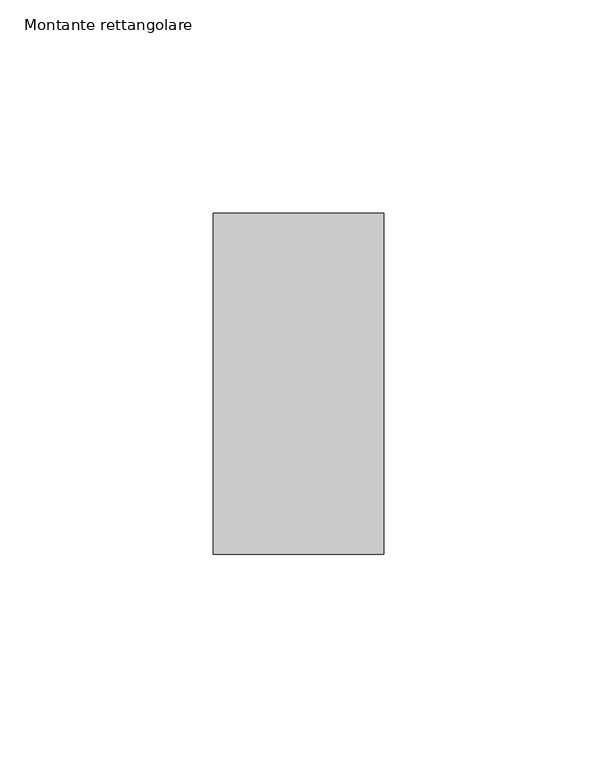
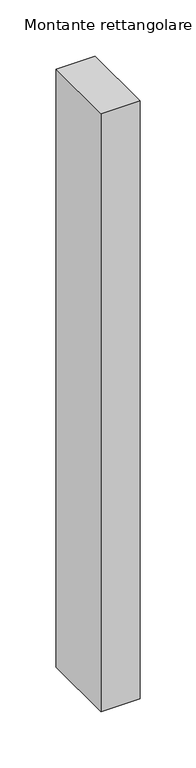
"""IFC4 building model written with IfcOpenShell, lengths in millimetres: member geometry, Montante rettangolare."""

import ifcopenshell
import ifcopenshell.guid

model = None  # the IFC model being written
_history = None  # IfcOwnerHistory: only IFC2X3 demands one
_inside = {}  # id of a spatial element -> (the spatial element, [elements in it])
_under = {}  # id of a project, library or spatial element -> (it, [spatial elements below it])
_declared = {}  # id of a project -> (the project, [libraries it declares])
_typed = {}  # id of a type object -> (the type object, [elements of that type])
_made_of = {}  # id of a material, layer set ... -> (it, [elements and type objects made of it])


def new_model(schema):
    """Start an empty IFC model of exactly this schema.

    Asked for "IFC4X3", IfcOpenShell would pick the latest addendum, in which some entities
    have other attributes; the version numbers below select the first issue.
    IFC2X3 requires an IfcOwnerHistory on every rooted entity: one is made here for all.
    """
    global model, _history
    if schema == "IFC4X3":
        model = ifcopenshell.file(schema_version=(4, 3, 0, 0))
    else:
        model = ifcopenshell.file(schema=schema)
    _inside.clear()
    _under.clear()
    _declared.clear()
    _typed.clear()
    _made_of.clear()
    _history = None
    if model.schema == "IFC2X3":
        org = make("IfcOrganization", Name="unknown")
        user = make(
            "IfcPersonAndOrganization",
            ThePerson=make("IfcPerson", FamilyName="unknown"),
            TheOrganization=org,
        )
        app = make(
            "IfcApplication",
            ApplicationDeveloper=org,
            Version="unknown",
            ApplicationFullName="unknown",
            ApplicationIdentifier="unknown",
        )
        _history = make(
            "IfcOwnerHistory",
            OwningUser=user,
            OwningApplication=app,
            ChangeAction="ADDED",
            CreationDate=0,
        )
    return model


def make(cls, **values):
    """One entity of the class cls with the attributes given. An attribute that is None is left unset."""
    return model.create_entity(
        cls, **{name: value for name, value in values.items() if value is not None}
    )


def rooted(cls, **values):
    """An entity with a GlobalId (a new one), such as an element, a storey or a relation."""
    return make(cls, GlobalId=ifcopenshell.guid.new(), OwnerHistory=_history, **values)


def si_unit(unit_type, name, prefix=None):
    """IfcSIUnit, for example si_unit("LENGTHUNIT", "METRE", prefix="MILLI")."""
    return make("IfcSIUnit", UnitType=unit_type, Prefix=prefix, Name=name)


def assignment(units):
    """IfcUnitAssignment: the units of a project."""
    return None if units is None else make("IfcUnitAssignment", Units=units)


def point(xyz):
    """IfcCartesianPoint."""
    return None if xyz is None else make("IfcCartesianPoint", Coordinates=xyz)


def direction(xyz):
    """IfcDirection."""
    return None if xyz is None else make("IfcDirection", DirectionRatios=xyz)


def frame(location, z_axis=None, x_axis=None):
    """IfcAxis2Placement3D, a coordinate frame: its origin and axes. An axis left out is left unset."""
    return make(
        "IfcAxis2Placement3D",
        Location=point(location),
        Axis=direction(z_axis),
        RefDirection=direction(x_axis),
    )


def origin():
    """The frame at (0, 0, 0) with its axes left unset."""
    return frame((0.0, 0.0, 0.0))


def place(relative_to, where):
    """IfcLocalPlacement: puts the frame where relative to a parent placement (None: the world)."""
    return make(
        "IfcLocalPlacement", PlacementRelTo=relative_to, RelativePlacement=where
    )


def context(
    kind, dimensions, precision=None, world=None, true_north=None, identifier=None
):
    """IfcGeometricRepresentationContext, for example the 3D "Model" context."""
    return make(
        "IfcGeometricRepresentationContext",
        ContextIdentifier=identifier,
        ContextType=kind,
        CoordinateSpaceDimension=dimensions,
        Precision=precision,
        WorldCoordinateSystem=world,
        TrueNorth=true_north,
    )


def project(units=None, contexts=None):
    """IfcProject with its units and contexts."""
    return rooted(
        "IfcProject",
        Name="project",
        RepresentationContexts=contexts,
        UnitsInContext=assignment(units),
    )


def spatial(cls, under=None, at=None, **own):
    """A site, building, storey or space (cls), placed at a placement, below another one or the project."""
    s = rooted(cls, ObjectPlacement=at, **own)
    if under is not None:
        _under.setdefault(under.id(), (under, []))[1].append(s)
    return s


def polyline(points):
    """IfcPolyline through the points."""
    return make("IfcPolyline", Points=[point(p) for p in points])


def outline(outer, holes=None, kind="AREA"):
    """IfcArbitraryClosedProfileDef: a profile drawn as a closed curve; with holes, ...WithVoids."""
    if holes is None:
        return make("IfcArbitraryClosedProfileDef", ProfileType=kind, OuterCurve=outer)
    return make(
        "IfcArbitraryProfileDefWithVoids",
        ProfileType=kind,
        OuterCurve=outer,
        InnerCurves=holes,
    )


def extrude(swept, where, along, depth):
    """IfcExtrudedAreaSolid: the profile swept, set in the frame where, extruded along a direction by depth."""
    return make(
        "IfcExtrudedAreaSolid",
        SweptArea=swept,
        Position=where,
        ExtrudedDirection=direction(along),
        Depth=depth,
    )


def shape(context_of_items, identifier, shape_type, items):
    """IfcShapeRepresentation: the items that make up one representation, for example the "Body"."""
    return make(
        "IfcShapeRepresentation",
        ContextOfItems=context_of_items,
        RepresentationIdentifier=identifier,
        RepresentationType=shape_type,
        Items=items,
    )


def source(mapping_origin, context_of_items, identifier, shape_type, items):
    """IfcRepresentationMap: a shape defined once, which mapped items show again and again."""
    return make(
        "IfcRepresentationMap",
        MappingOrigin=mapping_origin,
        MappedRepresentation=shape(context_of_items, identifier, shape_type, items),
    )


def transform(
    local_origin,
    x_axis=None,
    y_axis=None,
    z_axis=None,
    scale=None,
    scale2=None,
    scale3=None,
    uniform=True,
):
    """IfcCartesianTransformationOperator3D, or its non-uniform kind. x_axis, y_axis, z_axis: its Axis1, 2, 3."""
    if uniform:
        return make(
            "IfcCartesianTransformationOperator3D",
            Axis1=direction(x_axis),
            Axis2=direction(y_axis),
            LocalOrigin=point(local_origin),
            Scale=scale,
            Axis3=direction(z_axis),
        )
    return make(
        "IfcCartesianTransformationOperator3DnonUniform",
        Axis1=direction(x_axis),
        Axis2=direction(y_axis),
        LocalOrigin=point(local_origin),
        Scale=scale,
        Axis3=direction(z_axis),
        Scale2=scale2,
        Scale3=scale3,
    )


def mapped(mapping_source, mapping_target):
    """IfcMappedItem: shows the shape of a source again, moved by a transform."""
    return make(
        "IfcMappedItem", MappingSource=mapping_source, MappingTarget=mapping_target
    )


def made_of(thing, what):
    """Note that an element or type object is made of a material, layer set ...; save() writes the relation."""
    if what is not None:
        _made_of.setdefault(what.id(), (what, []))[1].append(thing)
    return thing


def element(
    cls,
    number,
    at=None,
    inside=None,
    cuts=None,
    type_object=None,
    material=None,
    context=None,
    identifier="Body",
    shape_type=None,
    held_by="IfcProductDefinitionShape",
    body=None,
    shapes=None,
    **own,
):
    """One element of the class cls, such as IfcWall. Its Tag is "e" and its number.

    at: its placement. inside: the storey or other place that contains it. cuts: it is an
    opening in that element (IfcRelVoidsElement). A single representation is given by context,
    identifier, shape_type and body (its items); several are given by shapes. held_by: the class
    of the entity that holds the representations. save() writes the other relations.
    """
    e = rooted(cls, Tag="e%d" % number, ObjectPlacement=at, **own)
    if body is not None:
        shapes = [shape(context, identifier, shape_type, body)]
    if shapes is not None:
        e.Representation = make(held_by, Representations=shapes)
    if inside is not None:
        _inside.setdefault(inside.id(), (inside, []))[1].append(e)
    if cuts is not None:
        rooted(
            "IfcRelVoidsElement", RelatingBuildingElement=cuts, RelatedOpeningElement=e
        )
    if type_object is not None:
        _typed.setdefault(type_object.id(), (type_object, []))[1].append(e)
    return made_of(e, material)


def aggregate(whole, parts):
    """IfcRelAggregates: a whole, such as a stair, and the parts it consists of."""
    return rooted("IfcRelAggregates", RelatingObject=whole, RelatedObjects=parts)


def save(model, path):
    """Write the relations noted so far, then the file.

    IfcRelAggregates (storeys below a building ...), IfcRelContainedInSpatialStructure (elements
    in a storey), IfcRelDefinesByType, IfcRelAssociatesMaterial and IfcRelDeclares: one each for
    every whole, place, type object, material and project.
    """
    for whole, parts in _under.values():
        aggregate(whole, parts)
    for where, things in _inside.values():
        rooted(
            "IfcRelContainedInSpatialStructure",
            RelatedElements=things,
            RelatingStructure=where,
        )
    for kind, things in _typed.values():
        rooted("IfcRelDefinesByType", RelatedObjects=things, RelatingType=kind)
    for what, things in _made_of.values():
        rooted("IfcRelAssociatesMaterial", RelatedObjects=things, RelatingMaterial=what)
    for by, libraries in _declared.values():
        rooted("IfcRelDeclares", RelatingContext=by, RelatedDefinitions=libraries)
    model.write(path)


def montante_rettangolare_9fd4e15a(model_context):
    return source(origin(), model_context, "Body", "SweptSolid", [
        extrude(outline(polyline([(20.0, 60.0), (20.0, -20.0), (-20.0, -20.0), (-20.0, 60.0), (20.0, 60.0)])), frame((0.0, 0.0, -649.8361775), z_axis=(0.0, 0.0, 1.0), x_axis=(1.0, 0.0, 0.0)), (0.0, 0.0, 1.0), 649.8361775),
    ])


if __name__ == "__main__":
    model = new_model("IFC4")
    model_context = context("Model", 3, world=origin())
    ifc_project = project(units=[si_unit("LENGTHUNIT", "METRE", prefix="MILLI")], contexts=[model_context])
    site = spatial("IfcSite", under=ifc_project)
    building = spatial("IfcBuilding", under=site)
    placement = place(None, origin())
    montante_rettangolare_shape = montante_rettangolare_9fd4e15a(model_context)
    element("IfcMember", 1, ObjectType="Montante rettangolare", at=placement, inside=building, context=model_context, shape_type="MappedRepresentation", body=[
        mapped(montante_rettangolare_shape, transform((0.0, 0.0, 0.0), x_axis=(1.0, 0.0, 0.0), y_axis=(0.0, 1.0, 0.0), z_axis=(0.0, 0.0, 1.0))),
    ])
    save(model, "model.ifc")
